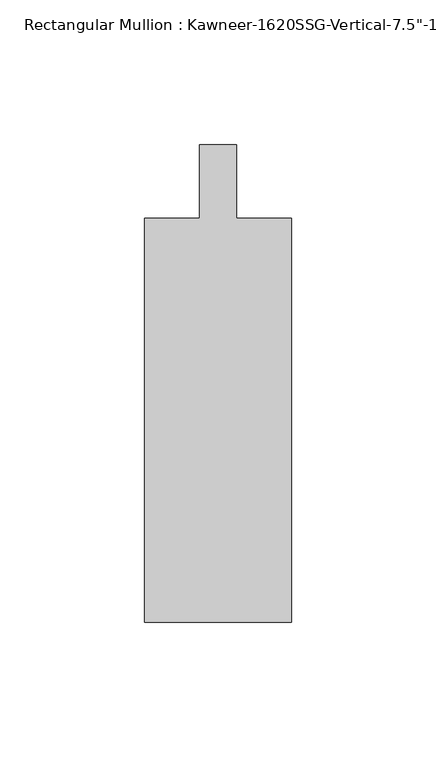
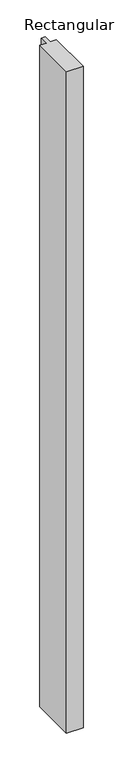
"""IFC4 building model written with IfcOpenShell, lengths in millimetres: member geometry."""

from ifc_helpers import new_model, si_unit, frame, origin, place, context, project, spatial, polyline, outline, extrude, source, transform, mapped, element, save


def member_6120d0f6(model_context):
    return source(origin(), model_context, "Body", "SweptSolid", [
        extrude(outline(polyline([(25.4, -152.4), (-25.4, -152.4), (-25.4, -12.7), (-6.35, -12.7), (-6.35, 12.7), (6.35, 12.7), (6.35, -12.7), (25.4, -12.7), (25.4, -152.4)])), frame((0.0, 0.0, -2120.9), z_axis=(0.0, 0.0, 1.0), x_axis=(1.0, 0.0, 0.0)), (0.0, 0.0, 1.0), 2120.9),
    ])


if __name__ == "__main__":
    model = new_model("IFC4")
    model_context = context("Model", 3, world=origin())
    ifc_project = project(units=[si_unit("LENGTHUNIT", "METRE", prefix="MILLI")], contexts=[model_context])
    site = spatial("IfcSite", under=ifc_project)
    building = spatial("IfcBuilding", under=site)
    placement = place(None, origin())
    member_shape = member_6120d0f6(model_context)
    element("IfcMember", 1, ObjectType="Rectangular Mullion : Kawneer-1620SSG-Vertical-7.5\"-1\"Infill-Standard", at=placement, inside=building, context=model_context, shape_type="MappedRepresentation", body=[
        mapped(member_shape, transform((0.0, 0.0, 0.0), x_axis=(1.0, 0.0, 0.0), y_axis=(0.0, 1.0, 0.0), z_axis=(0.0, 0.0, 1.0))),
    ])
    save(model, "model.ifc")
